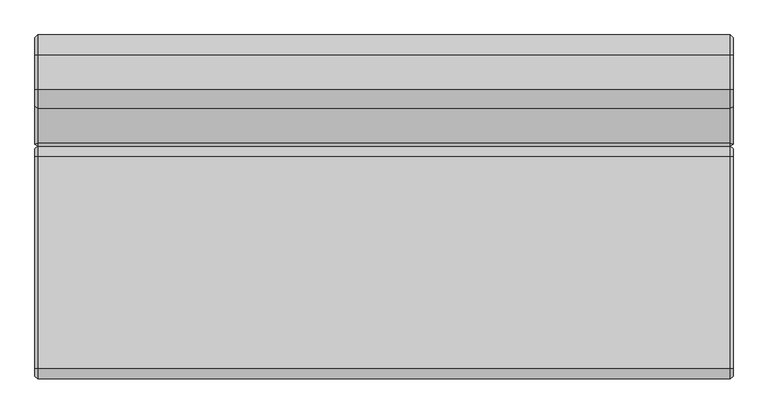
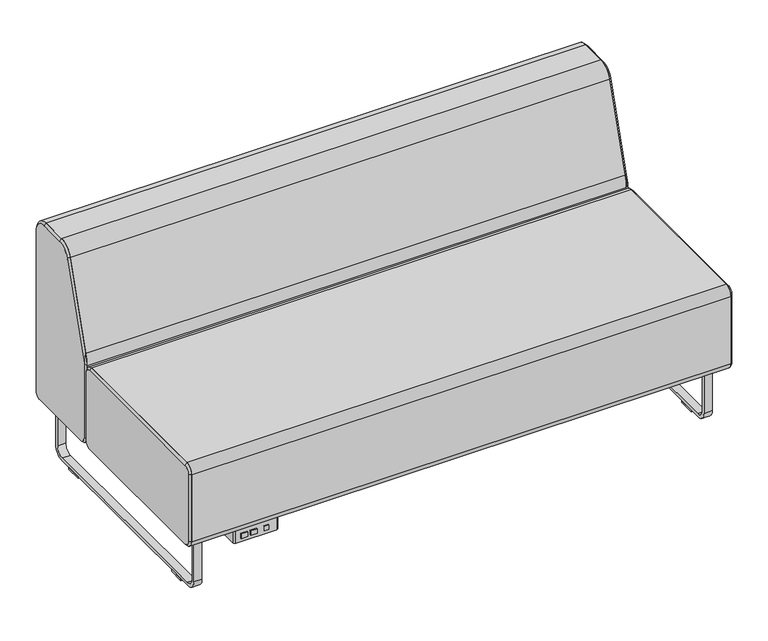
"""IFC4 building model written with IfcOpenShell, lengths in millimetres: furniture geometry."""

from ifc_helpers import new_model, si_unit, point, frame, frame_2d, origin, origin_with_axes, place, context, project, spatial, polyline, circle_curve, trimmed, segment, composite_curve, outline, extrude, source, transform, mapped, element, save
from ifc_brep_helpers import plane_surface, revolved_surface, spline_surface, advanced_brep


def furniture_aea3dfb8(model_context):
    return source(origin(), model_context, "Body", "SolidModel", [
        extrude(outline(polyline([(-1084.8135905, -367.8609794), (-1098.6184165, -367.8609794), (-1098.6184165, -364.6859794), (-1084.8135905, -364.6859794), (-1084.8135905, -367.8609794)])), frame((0.0, 0.0, 148.4693805), z_axis=(0.0, 0.0, 1.0), x_axis=(1.0, 0.0, 0.0)), (0.0, 0.0, 1.0), 15.3288336),
        extrude(outline(polyline([(-1120.9260038, -367.8609794), (-1142.3402709, -367.8609794), (-1142.3402709, -364.6859794), (-1120.9260038, -364.6859794), (-1120.9260038, -367.8609794)])), frame((0.0, 0.0, 148.4693805), z_axis=(0.0, 0.0, 1.0), x_axis=(1.0, 0.0, 0.0)), (0.0, 0.0, 1.0), 15.3288336),
        extrude(outline(polyline([(-1151.1520036, -367.8609794), (-1172.0562055, -367.8609794), (-1172.0562055, -364.6859794), (-1151.1520036, -364.6859794), (-1151.1520036, -367.8609794)])), frame((0.0, 0.0, 148.4693805), z_axis=(0.0, 0.0, 1.0), x_axis=(1.0, 0.0, 0.0)), (0.0, 0.0, 1.0), 15.3288336),
        extrude(outline(composite_curve([segment(trimmed(circle_curve(frame_2d((-1053.3937537, -295.6297294)), 0.79375), [point((-1053.3937537, -294.8359794))], [point((-1052.6000037, -295.6297294))], False, "CARTESIAN"), True, "CONTINUOUS"), segment(polyline([(-1052.6000037, -295.6297294), (-1052.6000037, -358.3359794)]), True, "CONTINUOUS"), segment(trimmed(circle_curve(frame_2d((-1058.9500037, -358.3359794)), 6.35), [point((-1052.6000037, -358.3359794))], [point((-1058.9500037, -364.6859794))], False, "CARTESIAN"), True, "CONTINUOUS"), segment(polyline([(-1058.9500037, -364.6859794), (-1185.9500037, -364.6859794)]), True, "CONTINUOUS"), segment(trimmed(circle_curve(frame_2d((-1185.9500037, -358.3359794)), 6.35), [point((-1185.9500037, -364.6859794))], [point((-1192.3000037, -358.3359794))], False, "CARTESIAN"), True, "CONTINUOUS"), segment(polyline([(-1192.3000037, -358.3359794), (-1192.3000037, -295.6297294)]), True, "CONTINUOUS"), segment(trimmed(circle_curve(frame_2d((-1191.5062537, -295.6297294)), 0.79375), [point((-1192.3000037, -295.6297294))], [point((-1191.5062537, -294.8359794))], False, "CARTESIAN"), True, "CONTINUOUS"), segment(polyline([(-1191.5062537, -294.8359794), (-1053.3937537, -294.8359794)]), True, "CONTINUOUS")], self_intersect=False)), frame((0.0, 0.0, 136.525), z_axis=(0.0, 0.0, 1.0), x_axis=(1.0, 0.0, 0.0)), (0.0, 0.0, 1.0), 44.45),
        extrude(outline(composite_curve([segment(trimmed(circle_curve(frame_2d((-1043.0750037, -304.3609794)), 3.175), [point((-1043.0750037, -301.1859794))], [point((-1039.9000037, -304.3609794))], False, "CARTESIAN"), True, "CONTINUOUS"), segment(polyline([(-1039.9000037, -304.3609794), (-1039.9000037, -355.1609794)]), True, "CONTINUOUS"), segment(trimmed(circle_curve(frame_2d((-1043.0750037, -355.1609794)), 3.175), [point((-1039.9000037, -355.1609794))], [point((-1043.0750037, -358.3359794))], False, "CARTESIAN"), True, "CONTINUOUS"), segment(polyline([(-1043.0750037, -358.3359794), (-1201.8250037, -358.3359794)]), True, "CONTINUOUS"), segment(trimmed(circle_curve(frame_2d((-1201.8250037, -355.1609794)), 3.175), [point((-1201.8250037, -358.3359794))], [point((-1205.0000037, -355.1609794))], False, "CARTESIAN"), True, "CONTINUOUS"), segment(polyline([(-1205.0000037, -355.1609794), (-1205.0000037, -304.3609794)]), True, "CONTINUOUS"), segment(trimmed(circle_curve(frame_2d((-1201.8250037, -304.3609794)), 3.175), [point((-1205.0000037, -304.3609794))], [point((-1201.8250037, -301.1859794))], False, "CARTESIAN"), True, "CONTINUOUS"), segment(polyline([(-1201.8250037, -301.1859794), (-1043.0750037, -301.1859794)]), True, "CONTINUOUS")], self_intersect=False)), frame((0.0, 0.0, 180.975), z_axis=(0.0, 0.0, 1.0), x_axis=(1.0, 0.0, 0.0)), (0.0, 0.0, 1.0), 3.175),
        advanced_brep(
        [(-1346.2, 151.6980231, 450.85), (-1346.2, 170.7480231, 431.8), (-1346.2, 170.7480231, 209.55), (-1346.2, 151.6980231, 190.5), (-1346.2, -364.6859794, 190.5), (-1346.2, -383.7359794, 209.55), (-1346.2, -383.7359794, 431.8), (-1346.2, -364.6859794, 450.85), (-1339.85, 151.6980231, 457.2), (-1339.85, -364.6859794, 457.2), (-1339.85, -390.0859794, 431.8), (-1339.85, -390.0859794, 209.55), (-1339.85, -364.6859794, 184.15), (-1339.85, 151.6980231, 184.15), (-1339.85, 177.0980231, 209.55), (-1339.85, 177.0980231, 431.8)],
        [
            (0, 1, circle_curve(frame((-1346.2, 151.6980231, 431.8), z_axis=(-1.0, -2.768452134205448e-12, 0.0), x_axis=(0.0, 0.0, 1.0)), 19.05)),
            (1, 2),
            (2, 3, circle_curve(frame((-1346.2, 151.6980231, 209.55), z_axis=(-1.0, -3.1921132404024314e-12, 0.0), x_axis=(-3.192154977755138e-12, 1.0, 0.0)), 19.05)),
            (3, 4),
            (4, 5, circle_curve(frame((-1346.2, -364.6859794, 209.55), z_axis=(-1.0, 0.0, 0.0), x_axis=(0.0, 0.0, -1.0)), 19.05)),
            (5, 6),
            (6, 7, circle_curve(frame((-1346.2, -364.6859794, 431.8), z_axis=(-1.0, 0.0, 0.0), x_axis=(0.0, -1.0, 0.0)), 19.05)),
            (7, 0),
            (8, 9),
            (9, 10, circle_curve(frame((-1339.85, -364.6859794, 431.8), z_axis=(1.0, 0.0, 0.0), x_axis=(0.0, -1.0, 0.0)), 25.4)),
            (10, 11),
            (11, 12, circle_curve(frame((-1339.85, -364.6859794, 209.55), z_axis=(1.0, 0.0, 0.0), x_axis=(0.0, 0.0, -1.0)), 25.4)),
            (12, 13),
            (13, 14, circle_curve(frame((-1339.85, 151.6980231, 209.55), z_axis=(1.0, 3.1921132404024314e-12, 0.0), x_axis=(-3.192154977755138e-12, 1.0, 0.0)), 25.4)),
            (14, 15),
            (15, 8, circle_curve(frame((-1339.85, 151.6980231, 431.8), z_axis=(1.0, 2.768452134205448e-12, 0.0), x_axis=(0.0, 0.0, 1.0)), 25.4)),
            (14, 2),
            (1, 15),
            (12, 4),
            (3, 13),
            (10, 6),
            (5, 11),
            (8, 0),
            (7, 9),
        ],
        [
            plane_surface(frame((-1346.2, -106.4939782, 320.675), z_axis=(-1.0, 0.0, 0.0), x_axis=(0.0, 1.0, 0.0))),
            plane_surface(frame((-1339.85, -106.4939782, 320.675), z_axis=(1.0, 0.0, 0.0), x_axis=(0.0, 1.0, 0.0))),
            plane_surface(frame((-1339.85, 177.0980231, 320.675), z_axis=(-0.7071067811876215, 0.7071067811854735, 0.0), x_axis=(0.0, 0.0, -1.0))),
            plane_surface(frame((-1339.85, -106.4939782, 184.15), z_axis=(-0.7071067811863855, 0.0, -0.7071067811867096), x_axis=(0.0, -1.0, 0.0))),
            plane_surface(frame((-1339.85, -390.0859794, 320.675), z_axis=(-0.7071067811866266, -0.7071067811864684, 0.0), x_axis=(0.0, 0.0, 1.0))),
            plane_surface(frame((-1339.85, -106.4939782, 457.2), z_axis=(-0.7071067811865852, 0.0, 0.7071067811865098), x_axis=(0.0, 1.0, 0.0))),
            revolved_surface(polyline([(-1346.2, 151.6980231, 450.8499999999999), (-1339.8499999999297, 151.6980231, 457.2000000000703)]), (-1365.25, 151.6980231, 431.8), (1.0, 2.768452134205448e-12, 0.0)),
            revolved_surface(polyline([(-1346.2000000000608, 170.74802309993908, 209.55), (-1339.85, 177.0980231, 209.55)]), (-1365.25, 151.6980231, 209.55), (1.0, 3.1921132404024314e-12, 0.0)),
            revolved_surface(polyline([(-1346.2, -364.6859794, 190.5000000000001), (-1339.85, -364.6859794, 184.15)]), (-1365.25, -364.6859794, 209.55), (1.0, 0.0, 0.0)),
            revolved_surface(polyline([(-1346.2, -383.7359793999999, 431.8), (-1339.85, -390.0859794, 431.8)]), (-1365.25, -364.6859794, 431.8), (1.0, 0.0, 0.0)),
        ],
        [
            (0, [[1, 2, 3, 4, 5, 6, 7, 8]]),
            (1, [[9, 10, 11, 12, 13, 14, 15, 16]]),
            (2, [[-15, 17, -2, 18]]),
            (3, [[-13, 19, -4, 20]]),
            (4, [[-11, 21, -6, 22]]),
            (5, [[-9, 23, -8, 24]]),
            (6, [[-16, -18, -1, -23]]),
            (7, [[-14, -20, -3, -17]]),
            (8, [[-12, -22, -5, -19]]),
            (9, [[-10, -24, -7, -21]]),
        ],
    ),
        advanced_brep(
        [(355.6, 398.1140214, 781.05), (355.6, 315.3219472, 781.05), (355.6, 273.6633925, 750.4487484), (355.6, 181.6267453, 456.75942), (355.6, 181.6267453, 209.55), (355.6, 200.6767453, 190.5), (355.6, 422.7140206, 190.5), (355.6, 441.7640206, 209.55), (355.6, 441.7640206, 737.4000009), (349.25, 398.1140214, 787.4), (349.25, 448.1140206, 737.4000009), (349.25, 448.1140206, 209.55), (349.25, 422.7140206, 184.15), (349.25, 202.4980231, 184.15), (349.25, 177.0980231, 209.55), (349.25, 177.0980231, 448.1421227), (349.25, 183.8862715, 485.2041409), (349.25, 267.6039664, 752.3476572), (349.25, 315.3219472, 787.4)],
        [
            (0, 1),
            (1, 2, circle_curve(frame((355.6, 315.3219472, 737.39375), z_axis=(1.0, 0.0, 0.0), x_axis=(0.0, 0.0, 1.0)), 43.65625)),
            (2, 3),
            (3, 4),
            (4, 5, circle_curve(frame((355.6, 200.6767453, 209.55), z_axis=(1.0, 0.0, 0.0), x_axis=(0.0, -1.0, 0.0)), 19.05)),
            (5, 6),
            (6, 7, circle_curve(frame((355.6, 422.7140206, 209.55), z_axis=(1.0, -2.1103119252153097e-12, 3.346656285442461e-12), x_axis=(3.3466520756728202e-12, 0.0, -1.0)), 19.05)),
            (7, 8),
            (8, 0, circle_curve(frame((355.6, 398.1140214, 737.4000009), z_axis=(1.0, 2.2488677586890422e-12, 0.0), x_axis=(-2.2488434285652812e-12, 1.0, 0.0)), 43.6499991)),
            (9, 10, circle_curve(frame((349.25, 398.1140214, 737.4000009), z_axis=(-1.0, -2.2488677586890422e-12, 0.0), x_axis=(-2.2488434285652812e-12, 1.0, 0.0)), 49.9999991)),
            (10, 11),
            (11, 12, circle_curve(frame((349.25, 422.7140206, 209.55), z_axis=(-1.0, 2.1103119252153097e-12, -3.346656285442461e-12), x_axis=(3.3466520756728202e-12, 0.0, -1.0)), 25.4)),
            (12, 13),
            (13, 14, circle_curve(frame((349.25, 202.4980231, 209.55), z_axis=(-1.0, 0.0, 0.0), x_axis=(0.0, -1.0, 0.0)), 25.4)),
            (14, 15),
            (15, 16, circle_curve(frame((349.25, 330.963593, 439.112907), z_axis=(-1.0, 0.0, 0.0), x_axis=(0.0, -1.0, 0.0)), 154.1302707)),
            (16, 17),
            (17, 18, circle_curve(frame((349.25, 315.3219472, 737.39375), z_axis=(-1.0, 0.0, 0.0), x_axis=(0.0, 0.0, 1.0)), 50.00625)),
            (18, 9),
            (18, 1),
            (0, 9),
            (17, 2),
            (16, 3),
            (15, 3),
            (14, 4),
            (13, 5),
            (12, 6),
            (11, 7),
            (10, 8),
        ],
        [
            plane_surface(frame((355.6, 317.4746287, 478.534241), z_axis=(1.0, 0.0, 0.0), x_axis=(0.0, 0.0, 1.0))),
            plane_surface(frame((349.25, 304.0562338, 478.5293922), z_axis=(-1.0, 0.0, 0.0), x_axis=(0.0, 0.0, 1.0))),
            plane_surface(frame((349.25, 356.7179843, 787.4), z_axis=(0.7071067811879643, 0.0, 0.7071067811851307), x_axis=(0.0, -1.0, 0.0))),
            revolved_surface(polyline([(355.6, 315.3219472, 781.05), (349.25, 315.3219472, 787.4)]), (399.25625, 315.3219472, 737.39375), (-1.0, 0.0, 0.0)),
            plane_surface(frame((349.25, 225.745119, 618.7758991), z_axis=(0.707106781188229, -0.6747498133214669, 0.21145375243837036), x_axis=(0.0, -0.29904076451373696, -0.9542403372102018))),
            spline_surface(2, 1, [[(349.25, 183.8862715, 485.2041409), (355.6, 181.6267453, 456.75942)], [(349.25, 178.20999802483482, 467.09112836245816), (355.6, 181.6267453, 456.75942)], [(349.25, 177.0980231, 448.1421227), (355.6, 181.6267453, 456.75942)]], [3, 3], [2, 2], [0.0, 1.0], [0.0, 1.0], weights=[[1.0, 1.0], [0.9925018543197952, 0.9925018543197952], [1.0, 1.0]]),
            plane_surface(frame((349.25, 177.0980231, 328.8460613), z_axis=(0.5806444204862116, -0.8141572679514882, 0.0), x_axis=(0.0, 0.0, -1.0))),
            spline_surface(2, 1, [[(349.25, 177.0980231, 209.55), (355.6, 181.6267453, 209.55)], [(349.25, 177.0980231, 184.15), (355.6, 181.6267453, 190.50000000000003)], [(349.25, 202.4980231, 184.15), (355.6, 200.6767453, 190.5)]], [3, 3], [2, 2], [0.0, 1.0], [0.0, 1.0], weights=[[1.0, 1.0], [0.7071067811865476, 0.7071067811865476], [1.0, 1.0]]),
            plane_surface(frame((349.25, 312.6060218, 184.15), z_axis=(0.70710678118765, 0.0, -0.707106781185445), x_axis=(0.0, 1.0, 0.0))),
            revolved_surface(polyline([(355.6000000000638, 422.7140206, 190.50000000006378), (349.25, 422.7140206, 184.15)]), (374.65, 422.7140206, 209.55), (-1.0, 2.1103119252153097e-12, -3.346656285442461e-12)),
            plane_surface(frame((349.25, 448.1140206, 473.4750004), z_axis=(0.7071067811879643, 0.7071067811851307, 0.0), x_axis=(0.0, 0.0, 1.0))),
            revolved_surface(polyline([(355.6, 441.76402058729997, 737.4000009), (349.24999999988756, 448.11402060011244, 737.4000009)]), (399.2499991, 398.1140214, 737.4000009), (-1.0, -2.2488677586890422e-12, 0.0)),
        ],
        [
            (0, [[1, 2, 3, 4, 5, 6, 7, 8, 9]]),
            (1, [[10, 11, 12, 13, 14, 15, 16, 17, 18, 19]]),
            (2, [[-19, 20, -1, 21]]),
            (3, [[-18, 22, -2, -20]]),
            (4, [[-17, 23, -3, -22]]),
            (5, [[-16, 24, -23]]),
            (6, [[-15, 25, -4, -24]]),
            (7, [[-14, 26, -5, -25]]),
            (8, [[-13, 27, -6, -26]]),
            (9, [[-12, 28, -7, -27]]),
            (10, [[-11, 29, -8, -28]]),
            (11, [[-10, -21, -9, -29]]),
        ],
    ),
        advanced_brep(
        [(355.6, 151.6980231, 450.85), (355.6, -364.6859794, 450.85), (355.6, -383.7359794, 431.8), (355.6, -383.7359794, 209.55), (355.6, -364.6859794, 190.5), (355.6, 151.6980231, 190.5), (355.6, 170.7480231, 209.55), (355.6, 170.7480231, 431.8), (349.25, 151.6980231, 457.2), (349.25, 177.0980231, 431.8), (349.25, 177.0980231, 209.55), (349.25, 151.6980231, 184.15), (349.25, -364.6859794, 184.15), (349.25, -390.0859794, 209.55), (349.25, -390.0859794, 431.8), (349.25, -364.6859794, 457.2)],
        [
            (0, 1),
            (1, 2, circle_curve(frame((355.6, -364.6859794, 431.8), z_axis=(1.0, 0.0, 0.0), x_axis=(0.0, 0.0, 1.0)), 19.05)),
            (2, 3),
            (3, 4, circle_curve(frame((355.6, -364.6859794, 209.55), z_axis=(1.0, 0.0, 0.0), x_axis=(0.0, -1.0, 0.0)), 19.05)),
            (4, 5),
            (5, 6, circle_curve(frame((355.6, 151.6980231, 209.55), z_axis=(1.0, -2.8617108682842753e-12, 0.0), x_axis=(0.0, 0.0, -1.0)), 19.05)),
            (6, 7),
            (7, 0, circle_curve(frame((355.6, 151.6980231, 431.8), z_axis=(1.0, -2.4433788326040377e-12, 0.0), x_axis=(2.443377884202076e-12, 1.0, 0.0)), 19.05)),
            (8, 9, circle_curve(frame((349.25, 151.6980231, 431.8), z_axis=(-1.0, 2.4433788326040377e-12, 0.0), x_axis=(2.443377884202076e-12, 1.0, 0.0)), 25.4)),
            (9, 10),
            (10, 11, circle_curve(frame((349.25, 151.6980231, 209.55), z_axis=(-1.0, 2.8617108682842753e-12, 0.0), x_axis=(0.0, 0.0, -1.0)), 25.4)),
            (11, 12),
            (12, 13, circle_curve(frame((349.25, -364.6859794, 209.55), z_axis=(-1.0, 0.0, 0.0), x_axis=(0.0, -1.0, 0.0)), 25.4)),
            (13, 14),
            (14, 15, circle_curve(frame((349.25, -364.6859794, 431.8), z_axis=(-1.0, 0.0, 0.0), x_axis=(0.0, 0.0, 1.0)), 25.4)),
            (15, 8),
            (9, 7),
            (6, 10),
            (11, 5),
            (4, 12),
            (13, 3),
            (2, 14),
            (15, 1),
            (0, 8),
        ],
        [
            plane_surface(frame((355.6, -106.4939782, 320.675), z_axis=(1.0, 0.0, 0.0), x_axis=(0.0, -1.0, 0.0))),
            plane_surface(frame((349.25, -106.4939782, 320.675), z_axis=(-1.0, 0.0, 0.0), x_axis=(0.0, -1.0, 0.0))),
            plane_surface(frame((349.25, 177.0980231, 320.675), z_axis=(0.7071067811887972, 0.7071067811842979, 0.0), x_axis=(0.0, 0.0, 1.0))),
            plane_surface(frame((349.25, -106.4939782, 184.15), z_axis=(0.7071067811876705, 0.0, -0.7071067811854246), x_axis=(0.0, 1.0, 0.0))),
            plane_surface(frame((349.25, -390.0859794, 320.675), z_axis=(0.7071067811879042, -0.707106781185191, 0.0), x_axis=(0.0, 0.0, -1.0))),
            plane_surface(frame((349.25, -106.4939782, 457.2), z_axis=(0.7071067811878551, 0.0, 0.70710678118524), x_axis=(0.0, -1.0, 0.0))),
            revolved_surface(polyline([(355.6000000000466, 170.74802309995343, 431.8), (349.25, 177.0980231, 431.8)]), (374.65, 151.6980231, 431.8), (-1.0, 2.4433788326040377e-12, 0.0)),
            revolved_surface(polyline([(355.6, 151.6980231, 190.50000000000003), (349.2499999999273, 151.6980231, 184.14999999992733)]), (374.65, 151.6980231, 209.55), (-1.0, 2.8617108682842753e-12, 0.0)),
            revolved_surface(polyline([(355.6, -383.73597939999996, 209.55), (349.25, -390.0859794, 209.55)]), (374.65, -364.6859794, 209.55), (-1.0, 0.0, 0.0)),
            revolved_surface(polyline([(355.6, -364.6859794, 450.84999999999997), (349.25, -364.6859794, 457.2)]), (374.65, -364.6859794, 431.8), (-1.0, 0.0, 0.0)),
        ],
        [
            (0, [[1, 2, 3, 4, 5, 6, 7, 8]]),
            (1, [[9, 10, 11, 12, 13, 14, 15, 16]]),
            (2, [[-10, 17, -7, 18]]),
            (3, [[-12, 19, -5, 20]]),
            (4, [[-14, 21, -3, 22]]),
            (5, [[-16, 23, -1, 24]]),
            (6, [[-9, -24, -8, -17]]),
            (7, [[-11, -18, -6, -19]]),
            (8, [[-13, -20, -4, -21]]),
            (9, [[-15, -22, -2, -23]]),
        ],
    ),
        extrude(outline(composite_curve([segment(polyline([(-364.6859794, 457.2), (151.6980231, 457.2)]), True, "CONTINUOUS"), segment(trimmed(circle_curve(frame_2d((151.6980231, 431.8)), 25.4), [point((151.6980231, 457.2))], [point((177.0980231, 431.8))], False, "CARTESIAN"), True, "CONTINUOUS"), segment(polyline([(177.0980231, 431.8), (177.0980231, 209.55)]), True, "CONTINUOUS"), segment(trimmed(circle_curve(frame_2d((151.6980231, 209.55)), 25.4), [point((177.0980231, 209.55))], [point((151.6980231, 184.15))], False, "CARTESIAN"), True, "CONTINUOUS"), segment(polyline([(151.6980231, 184.15), (-364.6859794, 184.15)]), True, "CONTINUOUS"), segment(trimmed(circle_curve(frame_2d((-364.6859794, 209.55)), 25.4), [point((-364.6859794, 184.15))], [point((-390.0859794, 209.55))], False, "CARTESIAN"), True, "CONTINUOUS"), segment(polyline([(-390.0859794, 209.55), (-390.0859794, 431.8)]), True, "CONTINUOUS"), segment(trimmed(circle_curve(frame_2d((-364.6859794, 431.8)), 25.4), [point((-390.0859794, 431.8))], [point((-364.6859794, 457.2))], False, "CARTESIAN"), True, "CONTINUOUS")], self_intersect=False)), frame((-1339.85, 0.0, 0.0), z_axis=(1.0, 0.0, 0.0), x_axis=(0.0, 1.0, 0.0)), (0.0, 0.0, 1.0), 1689.1),
        advanced_brep(
        [(-1346.2, 441.7640206, 737.4000009), (-1346.2, 441.7640206, 209.55), (-1346.2, 422.7140206, 190.5), (-1346.2, 200.6767453, 190.5), (-1346.2, 181.6267453, 209.55), (-1346.2, 181.6267453, 456.75942), (-1346.2, 273.6633925, 750.4487484), (-1346.2, 315.3219472, 781.05), (-1346.2, 398.1140214, 781.05), (-1339.85, 448.1140206, 737.4000009), (-1339.85, 398.1140214, 787.4), (-1339.85, 315.3219472, 787.4), (-1339.85, 267.6039664, 752.3476572), (-1339.85, 183.8862715, 485.2041409), (-1339.85, 177.0980231, 448.1421227), (-1339.85, 177.0980231, 209.55), (-1339.85, 202.4980231, 184.15), (-1339.85, 422.7140206, 184.15), (-1339.85, 448.1140206, 209.55)],
        [
            (0, 1),
            (1, 2, circle_curve(frame((-1346.2, 422.7140206, 209.55), z_axis=(-1.0, -2.3874235921539706e-12, 0.0), x_axis=(-2.3874825926737087e-12, 1.0, 0.0)), 19.05)),
            (2, 3),
            (3, 4, circle_curve(frame((-1346.2, 200.6767453, 209.55), z_axis=(-1.0, 0.0, 0.0), x_axis=(0.0, -1.0, 0.0)), 19.05)),
            (4, 5),
            (5, 6),
            (6, 7, circle_curve(frame((-1346.2, 315.3219472, 737.39375), z_axis=(-1.0, 0.0, 0.0), x_axis=(0.0, -0.9542403372102007, 0.29904076451374073)), 43.65625)),
            (7, 8),
            (8, 0, circle_curve(frame((-1346.2, 398.1140214, 737.4000009), z_axis=(-1.0, 0.0, 0.0), x_axis=(0.0, 0.0, 1.0)), 43.6499991)),
            (9, 10, circle_curve(frame((-1339.85, 398.1140214, 737.4000009), z_axis=(1.0, 0.0, 0.0), x_axis=(0.0, 0.0, 1.0)), 49.9999991)),
            (10, 11),
            (11, 12, circle_curve(frame((-1339.85, 315.3219472, 737.39375), z_axis=(1.0, 0.0, 0.0), x_axis=(0.0, -0.9542403372102007, 0.29904076451374073)), 50.00625)),
            (12, 13),
            (13, 14, circle_curve(frame((-1339.85, 330.963593, 439.112907), z_axis=(1.0, 0.0, 0.0), x_axis=(0.0, -1.0, 0.0)), 154.1302707)),
            (14, 15),
            (15, 16, circle_curve(frame((-1339.85, 202.4980231, 209.55), z_axis=(1.0, 0.0, 0.0), x_axis=(0.0, -1.0, 0.0)), 25.4)),
            (16, 17),
            (17, 18, circle_curve(frame((-1339.85, 422.7140206, 209.55), z_axis=(1.0, 2.3874235921539706e-12, 0.0), x_axis=(-2.3874825926737087e-12, 1.0, 0.0)), 25.4)),
            (18, 9),
            (18, 1),
            (0, 9),
            (10, 8),
            (7, 11),
            (16, 3),
            (2, 17),
            (14, 5),
            (4, 15),
            (13, 5),
            (12, 6),
        ],
        [
            plane_surface(frame((-1346.2, 317.4746287, 478.534241), z_axis=(-1.0, 0.0, 0.0), x_axis=(0.0, 1.0, 0.0))),
            plane_surface(frame((-1339.85, 304.0562338, 478.5293922), z_axis=(1.0, 0.0, 0.0), x_axis=(0.0, 1.0, 0.0))),
            plane_surface(frame((-1339.85, 448.1140206, 473.4750004), z_axis=(-0.7071067811875122, 0.7071067811855829, 0.0), x_axis=(0.0, 0.0, -1.0))),
            plane_surface(frame((-1339.85, 356.7179843, 787.4), z_axis=(-0.7071067811866455, 0.0, 0.7071067811864495), x_axis=(0.0, 1.0, 0.0))),
            revolved_surface(polyline([(-1346.2, 398.1140214, 781.0499999999998), (-1339.85, 398.1140214, 787.4)]), (-1389.8499991, 398.1140214, 737.4000009), (1.0, 0.0, 0.0)),
            plane_surface(frame((-1339.85, 312.6060218, 184.15), z_axis=(-0.7071067811866589, 0.0, -0.7071067811864362), x_axis=(0.0, -1.0, 0.0))),
            plane_surface(frame((-1339.85, 177.0980231, 328.8460613), z_axis=(-0.580644420482575, -0.8141572679540818, 0.0), x_axis=(0.0, 0.0, 1.0))),
            revolved_surface(polyline([(-1346.2000000000455, 441.7640205999544, 209.55), (-1339.85, 448.1140206, 209.55)]), (-1365.25, 422.7140206, 209.55), (1.0, 2.3874235921539706e-12, 0.0)),
            spline_surface(2, 1, [[(-1339.85, 202.4980231, 184.15), (-1346.2, 200.6767453, 190.5)], [(-1339.85, 177.0980231, 184.15), (-1346.2, 181.62674529999998, 190.5)], [(-1339.85, 177.0980231, 209.55), (-1346.2, 181.6267453, 209.55)]], [3, 3], [2, 2], [0.0, 1.0], [0.0, 1.0], weights=[[1.0, 1.0], [0.7071067811865476, 0.7071067811865476], [1.0, 1.0]]),
            spline_surface(2, 1, [[(-1339.85, 177.0980231, 448.1421227), (-1346.2, 181.6267453, 456.75942)], [(-1339.85, 178.2099980584638, 467.0911283562987), (-1346.2, 181.6267453, 456.75942)], [(-1339.85, 183.8862715, 485.2041409), (-1346.2, 181.6267453, 456.75942)]], [3, 3], [2, 2], [0.0, 1.0], [0.0, 1.0], weights=[[1.0, 1.0], [0.9925018544290458, 0.9925018544290458], [1.0, 1.0]]),
            plane_surface(frame((-1339.85, 225.745119, 618.7758991), z_axis=(-0.7071067811865543, -0.6747498133230649, 0.21145375243887096), x_axis=(0.0, 0.2990407645137367, 0.954240337210202))),
            revolved_surface(polyline([(-1346.2, 273.6633925333334, 750.4487483492063), (-1339.85, 267.6039664, 752.3476572)]), (-1389.85625, 315.3219472, 737.39375), (1.0, 0.0, 0.0)),
        ],
        [
            (0, [[1, 2, 3, 4, 5, 6, 7, 8, 9]]),
            (1, [[10, 11, 12, 13, 14, 15, 16, 17, 18, 19]]),
            (2, [[-19, 20, -1, 21]]),
            (3, [[-11, 22, -8, 23]]),
            (4, [[-10, -21, -9, -22]]),
            (5, [[-17, 24, -3, 25]]),
            (6, [[-15, 26, -5, 27]]),
            (7, [[-18, -25, -2, -20]]),
            (8, [[-16, -27, -4, -24]]),
            (9, [[-14, 28, -26]]),
            (10, [[-13, 29, -6, -28]]),
            (11, [[-12, -23, -7, -29]]),
        ],
    ),
        extrude(outline(composite_curve([segment(polyline([(448.1140206, 737.4000009), (448.1140206, 209.55)]), True, "CONTINUOUS"), segment(trimmed(circle_curve(frame_2d((422.7140206, 209.55)), 25.4), [point((448.1140206, 209.55))], [point((422.7140206, 184.15))], False, "CARTESIAN"), True, "CONTINUOUS"), segment(polyline([(422.7140206, 184.15), (202.4980231, 184.15)]), True, "CONTINUOUS"), segment(trimmed(circle_curve(frame_2d((202.4980231, 209.55)), 25.4), [point((202.4980231, 184.15))], [point((177.0980231, 209.55))], False, "CARTESIAN"), True, "CONTINUOUS"), segment(polyline([(177.0980231, 209.55), (177.0980231, 448.1421227)]), True, "CONTINUOUS"), segment(trimmed(circle_curve(frame_2d((330.963593, 439.112907)), 154.1302707), [point((177.0980231, 448.1421227))], [point((183.8862715, 485.2041409))], False, "CARTESIAN"), True, "CONTINUOUS"), segment(polyline([(183.8862715, 485.2041409), (267.6039664, 752.3476572)]), True, "CONTINUOUS"), segment(trimmed(circle_curve(frame_2d((315.3219472, 737.39375)), 50.00625), [point((267.6039664, 752.3476572))], [point((315.3219472, 787.4))], False, "CARTESIAN"), True, "CONTINUOUS"), segment(polyline([(315.3219472, 787.4), (398.1140214, 787.4)]), True, "CONTINUOUS"), segment(trimmed(circle_curve(frame_2d((398.1140214, 737.4000009)), 49.9999991), [point((398.1140214, 787.4))], [point((448.1140206, 737.4000009))], False, "CARTESIAN"), True, "CONTINUOUS")], self_intersect=False)), frame((-1339.85, 0.0, 0.0), z_axis=(1.0, 0.0, 0.0), x_axis=(0.0, 1.0, 0.0)), (0.0, 0.0, 1.0), 1689.1),
        extrude(outline(composite_curve([segment(trimmed(circle_curve(frame_2d((371.5140283, 38.1)), 31.75), [point((403.2640283, 38.1))], [point((371.5140283, 6.35))], False, "CARTESIAN"), True, "CONTINUOUS"), segment(polyline([(371.5140283, 6.35), (-313.4859554, 6.35)]), True, "CONTINUOUS"), segment(trimmed(circle_curve(frame_2d((-313.4859554, 38.1)), 31.75), [point((-313.4859554, 6.35))], [point((-345.2359554, 38.1))], False, "CARTESIAN"), True, "CONTINUOUS"), segment(polyline([(-345.2359554, 38.1), (-345.2359554, 177.8), (-335.7109554, 177.8), (-335.7109554, 41.275)]), True, "CONTINUOUS"), segment(trimmed(circle_curve(frame_2d((-310.3109554, 41.275)), 25.4), [point((-335.7109554, 41.275))], [point((-310.3109554, 15.875))], True, "CARTESIAN"), True, "CONTINUOUS"), segment(polyline([(-310.3109554, 15.875), (368.3390283, 15.875)]), True, "CONTINUOUS"), segment(trimmed(circle_curve(frame_2d((368.3390283, 41.275)), 25.4), [point((368.3390283, 15.875))], [point((393.7390283, 41.275))], True, "CARTESIAN"), True, "CONTINUOUS"), segment(polyline([(393.7390283, 41.275), (393.7390283, 177.8), (403.2640283, 177.8), (403.2640283, 38.1)]), True, "CONTINUOUS")], self_intersect=False)), frame((290.5999947, 0.0, 0.0), z_axis=(1.0, 0.0, 0.0), x_axis=(0.0, 1.0, 0.0)), (0.0, 0.0, 1.0), 25.3999758),
        extrude(outline(polyline([(255.6749825, -345.2359554), (255.6749825, -284.9110039), (315.9999704, -284.9110039), (315.9999704, -345.2359554), (255.6749825, -345.2359554)])), frame((0.0, 0.0, 177.8), z_axis=(0.0, 0.0, 1.0), x_axis=(1.0, 0.0, 0.0)), (0.0, 0.0, 1.0), 6.35),
        extrude(outline(polyline([(255.6749825, 403.2640283), (315.9999704, 403.2640283), (315.9999704, 342.9390268), (255.6749825, 342.9390268), (255.6749825, 403.2640283)])), frame((0.0, 0.0, 177.8), z_axis=(0.0, 0.0, 1.0), x_axis=(1.0, 0.0, 0.0)), (0.0, 0.0, 1.0), 6.35),
        extrude(outline(polyline([(290.5999947, -275.3109358), (290.5999947, -224.5109842), (315.9999704, -224.5109842), (315.9999704, -275.3109358), (290.5999947, -275.3109358)])), origin_with_axes(), (0.0, 0.0, 1.0), 6.35),
        extrude(outline(polyline([(290.5999947, 333.3390314), (315.9999704, 333.3390314), (315.9999704, 282.5390253), (290.5999947, 282.5390253), (290.5999947, 333.3390314)])), origin_with_axes(), (0.0, 0.0, 1.0), 6.35),
        extrude(outline(polyline([(-1246.2750007, -345.2359554), (-1306.6000022, -345.2359554), (-1306.6000022, -284.9110039), (-1246.2750007, -284.9110039), (-1246.2750007, -345.2359554)])), frame((0.0, 0.0, 177.8), z_axis=(0.0, 0.0, 1.0), x_axis=(1.0, 0.0, 0.0)), (0.0, 0.0, 1.0), 6.35),
        extrude(outline(polyline([(-1246.2750007, 403.2640283), (-1246.2750007, 342.9390268), (-1306.6000022, 342.9390268), (-1306.6000022, 403.2640283), (-1246.2750007, 403.2640283)])), frame((0.0, 0.0, 177.8), z_axis=(0.0, 0.0, 1.0), x_axis=(1.0, 0.0, 0.0)), (0.0, 0.0, 1.0), 6.35),
        extrude(outline(polyline([(-1281.2000037, -275.3109358), (-1306.6000022, -275.3109358), (-1306.6000022, -224.5109842), (-1281.2000037, -224.5109842), (-1281.2000037, -275.3109358)])), origin_with_axes(), (0.0, 0.0, 1.0), 6.35),
        extrude(outline(polyline([(-1281.2000037, 333.3390314), (-1281.2000037, 282.5390253), (-1306.6000022, 282.5390253), (-1306.6000022, 333.3390314), (-1281.2000037, 333.3390314)])), origin_with_axes(), (0.0, 0.0, 1.0), 6.35),
        extrude(outline(composite_curve([segment(trimmed(circle_curve(frame_2d((371.5140283, 38.1)), 31.75), [point((403.2640283, 38.1))], [point((371.5140283, 6.35))], False, "CARTESIAN"), True, "CONTINUOUS"), segment(polyline([(371.5140283, 6.35), (-313.4859554, 6.35)]), True, "CONTINUOUS"), segment(trimmed(circle_curve(frame_2d((-313.4859554, 38.1)), 31.75), [point((-313.4859554, 6.35))], [point((-345.2359554, 38.1))], False, "CARTESIAN"), True, "CONTINUOUS"), segment(polyline([(-345.2359554, 38.1), (-345.2359554, 177.8), (-335.7109554, 177.8), (-335.7109554, 41.275)]), True, "CONTINUOUS"), segment(trimmed(circle_curve(frame_2d((-310.3109554, 41.275)), 25.4), [point((-335.7109554, 41.275))], [point((-310.3109554, 15.875))], True, "CARTESIAN"), True, "CONTINUOUS"), segment(polyline([(-310.3109554, 15.875), (368.3390283, 15.875)]), True, "CONTINUOUS"), segment(trimmed(circle_curve(frame_2d((368.3390283, 41.275)), 25.4), [point((368.3390283, 15.875))], [point((393.7390283, 41.275))], True, "CARTESIAN"), True, "CONTINUOUS"), segment(polyline([(393.7390283, 41.275), (393.7390283, 177.8), (403.2640283, 177.8), (403.2640283, 38.1)]), True, "CONTINUOUS")], self_intersect=False)), frame((-1306.6000022, 0.0, 0.0), z_axis=(1.0, 0.0, 0.0), x_axis=(0.0, 1.0, 0.0)), (0.0, 0.0, 1.0), 25.3999985),
    ])


if __name__ == "__main__":
    model = new_model("IFC4")
    model_context = context("Model", 3, world=origin())
    ifc_project = project(units=[si_unit("LENGTHUNIT", "METRE", prefix="MILLI")], contexts=[model_context])
    site = spatial("IfcSite", under=ifc_project)
    building = spatial("IfcBuilding", under=site)
    placement = place(None, origin())
    furniture_shape = furniture_aea3dfb8(model_context)
    element("IfcFurniture", 1, at=placement, inside=building, context=model_context, shape_type="MappedRepresentation", body=[
        mapped(furniture_shape, transform((0.0, 0.0, 0.0), x_axis=(1.0, 0.0, 0.0), y_axis=(0.0, 1.0, 0.0), z_axis=(0.0, 0.0, 1.0))),
    ])
    save(model, "model.ifc")
